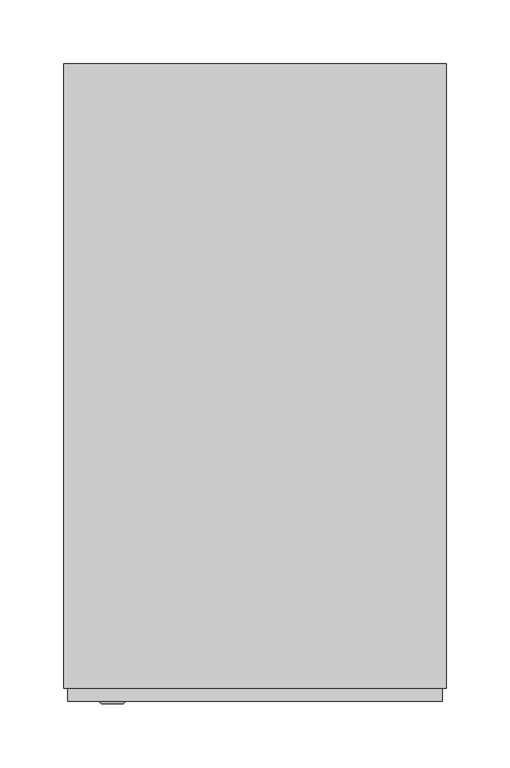
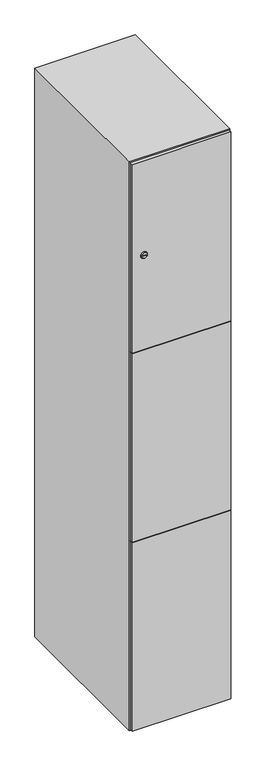
"""IFC4 building model written with IfcOpenShell, lengths in millimetres: furniture geometry."""

from ifc_helpers import new_model, si_unit, point, frame, frame_2d, origin, place, context, project, spatial, polyline, circle_curve, trimmed, segment, composite_curve, outline, extrude, faceted_brep, source, transform, mapped, element, save
from ifc_brep_helpers import plane_surface, revolved_surface, advanced_brep


def furniture_779b8884(model_context):
    return source(origin(), model_context, "Body", "SolidModel", [
        extrude(outline(composite_curve([segment(trimmed(circle_curve(frame_2d((1598.0, -188.7989466)), 7.0), [point((1605.0, -188.7989466))], [point((1591.0, -188.7989466))], False, "CARTESIAN"), True, "CONTINUOUS"), segment(polyline([(1591.0, -188.7989466), (1591.0, -160.7989466)]), True, "CONTINUOUS"), segment(trimmed(circle_curve(frame_2d((1598.0, -160.7989466)), 7.0), [point((1591.0, -160.7989466))], [point((1605.0, -160.7989466))], False, "CARTESIAN"), True, "CONTINUOUS"), segment(polyline([(1605.0, -160.7989466), (1605.0, -188.7989466)]), True, "CONTINUOUS")], self_intersect=False)), frame((0.0, -245.0, 0.0), z_axis=(0.0, 1.0, 0.0), x_axis=(0.0, 0.0, 1.0)), (0.0, 0.0, 1.0), 2.0),
        advanced_brep(
        [(-153.5, -257.2, 1598.0), (-170.5, -257.2, 1598.0), (-167.0, -257.2, 1596.75), (-167.0, -257.2, 1599.25), (-157.0, -257.2, 1599.25), (-157.0, -257.2, 1596.75), (-151.5, -255.0, 1598.0), (-172.5, -255.0, 1598.0), (-167.0, -255.0, 1599.25), (-167.0, -255.0, 1596.75), (-157.0, -255.0, 1596.75), (-157.0, -255.0, 1599.25)],
        [
            (0, 1, circle_curve(frame((-162.0, -257.2, 1598.0), z_axis=(0.0, -1.0, 0.0), x_axis=(1.0, 0.0, 0.0)), 8.5)),
            (1, 0, circle_curve(frame((-162.0, -257.2, 1598.0), z_axis=(0.0, -1.0, 0.0), x_axis=(-1.0, 0.0, 0.0)), 8.5)),
            (2, 3),
            (3, 4),
            (4, 5),
            (5, 2),
            (6, 7, circle_curve(frame((-162.0, -255.0, 1598.0), z_axis=(0.0, 1.0, 0.0), x_axis=(-1.0, 0.0, 0.0)), 10.5)),
            (7, 6, circle_curve(frame((-162.0, -255.0, 1598.0), z_axis=(0.0, 1.0, 0.0), x_axis=(1.0, 0.0, 0.0)), 10.5)),
            (8, 9),
            (9, 10),
            (10, 11),
            (11, 8),
            (0, 6),
            (7, 1),
            (8, 3),
            (2, 9),
            (11, 4),
            (10, 5),
        ],
        [
            plane_surface(frame((-162.0, -257.2, 1598.0), z_axis=(0.0, -1.0, 0.0), x_axis=(0.0, 0.0, 1.0))),
            plane_surface(frame((-162.0, -255.0, 1598.0), z_axis=(0.0, 1.0, 0.0), x_axis=(0.0, 0.0, 1.0))),
            revolved_surface(polyline([(-153.5, -257.2, 1598.0), (-151.5, -255.0, 1598.0)]), (-162.0, -266.55, 1598.0), (0.0, 1.0, 0.0)),
            revolved_surface(polyline([(-170.5, -257.2, 1598.0), (-172.5, -255.0, 1598.0)]), (-162.0, -266.55, 1598.0), (0.0, 1.0, 0.0)),
            plane_surface(frame((-167.0, -255.0, 1596.75), z_axis=(1.0, 0.0, 0.0), x_axis=(0.0, -1.0, 0.0))),
            plane_surface(frame((-167.0, -255.0, 1599.25), z_axis=(0.0, 0.0, -1.0), x_axis=(0.0, -1.0, 0.0))),
            plane_surface(frame((-157.0, -255.0, 1599.25), z_axis=(-1.0, 0.0, 0.0), x_axis=(0.0, -1.0, 0.0))),
            plane_surface(frame((-157.0, -255.0, 1596.75), z_axis=(0.0, 0.0, 1.0), x_axis=(0.0, -1.0, 0.0))),
        ],
        [
            (0, [[1, 2], [3, 4, 5, 6]]),
            (1, [[7, 8], [9, 10, 11, 12]]),
            (2, [[-1, 13, -8, 14]]),
            (3, [[-2, -14, -7, -13]]),
            (4, [[15, -3, 16, -9]]),
            (5, [[-15, -12, 17, -4]]),
            (6, [[-17, -11, 18, -5]]),
            (7, [[-16, -6, -18, -10]]),
        ],
    ),
        extrude(outline(polyline([(97.0, -245.0), (97.0, -255.0), (-197.0, -255.0), (-197.0, -245.0), (97.0, -245.0)])), frame((0.0, 0.0, 701.5), z_axis=(0.0, 0.0, 1.0), x_axis=(1.0, 0.0, 0.0)), (0.0, 0.0, 1.0), 597.0),
        extrude(outline(polyline([(-197.0, -255.0), (-197.0, -245.0), (97.0, -245.0), (97.0, -255.0), (-197.0, -255.0)])), frame((0.0, 0.0, 1299.5), z_axis=(0.0, 0.0, 1.0), x_axis=(1.0, 0.0, 0.0)), (0.0, 0.0, 1.0), 597.5),
        extrude(outline(polyline([(97.0, -245.0), (97.0, -255.0), (-197.0, -255.0), (-197.0, -245.0), (97.0, -245.0)])), frame((0.0, 0.0, 103.0), z_axis=(0.0, 0.0, 1.0), x_axis=(1.0, 0.0, 0.0)), (0.0, 0.0, 1.0), 597.5),
        extrude(outline(polyline([(90.0, 241.0), (90.0, -235.0), (-190.0, -235.0), (-190.0, 241.0), (90.0, 241.0)])), frame((0.0, 0.0, 1291.6666667), z_axis=(0.0, 0.0, 1.0), x_axis=(1.0, 0.0, 0.0)), (0.0, 0.0, 1.0), 10.0),
        extrude(outline(polyline([(-190.0, 241.0), (90.0, 241.0), (90.0, -235.0), (-190.0, -235.0), (-190.0, 241.0)])), frame((0.0, 0.0, 698.3333333), z_axis=(0.0, 0.0, 1.0), x_axis=(1.0, 0.0, 0.0)), (0.0, 0.0, 1.0), 10.0),
        faceted_brep([(100.0, -245.0, 100.0), (100.0, -245.0, 1900.0), (-200.0, -245.0, 1900.0), (-200.0, -245.0, 100.0), (90.0, -245.0, 1890.0), (90.0, -245.0, 110.0), (-190.0, -245.0, 110.0), (-190.0, -245.0, 1890.0), (100.0, 245.0, 100.0), (-200.0, 245.0, 100.0), (100.0, 245.0, 1900.0), (-200.0, 245.0, 1900.0), (90.0, 241.0, 1890.0), (90.0, 241.0, 110.0), (-200.0, 245.0, 1890.0), (-190.0, 241.0, 1890.0), (-190.0, 241.0, 110.0)], [[[0, 1, 2, 3], [4, 5, 6, 7]], [[8, 0, 3, 9]], [[1, 0, 8, 10]], [[1, 10, 11, 2]], [[4, 12, 13, 5]], [[9, 3, 2, 11, 14]], [[10, 8, 9, 14, 11]], [[12, 15, 16, 13]], [[15, 7, 6, 16]], [[4, 7, 15, 12]], [[6, 5, 13, 16]]]),
    ])


if __name__ == "__main__":
    model = new_model("IFC4")
    model_context = context("Model", 3, world=origin())
    ifc_project = project(units=[si_unit("LENGTHUNIT", "METRE", prefix="MILLI")], contexts=[model_context])
    site = spatial("IfcSite", under=ifc_project)
    building = spatial("IfcBuilding", under=site)
    placement = place(None, origin())
    furniture_shape = furniture_779b8884(model_context)
    element("IfcFurniture", 1, at=placement, inside=building, context=model_context, shape_type="MappedRepresentation", body=[
        mapped(furniture_shape, transform((0.0, 0.0, 0.0), x_axis=(1.0, 0.0, 0.0), y_axis=(0.0, 1.0, 0.0), z_axis=(0.0, 0.0, 1.0))),
    ])
    save(model, "model.ifc")
